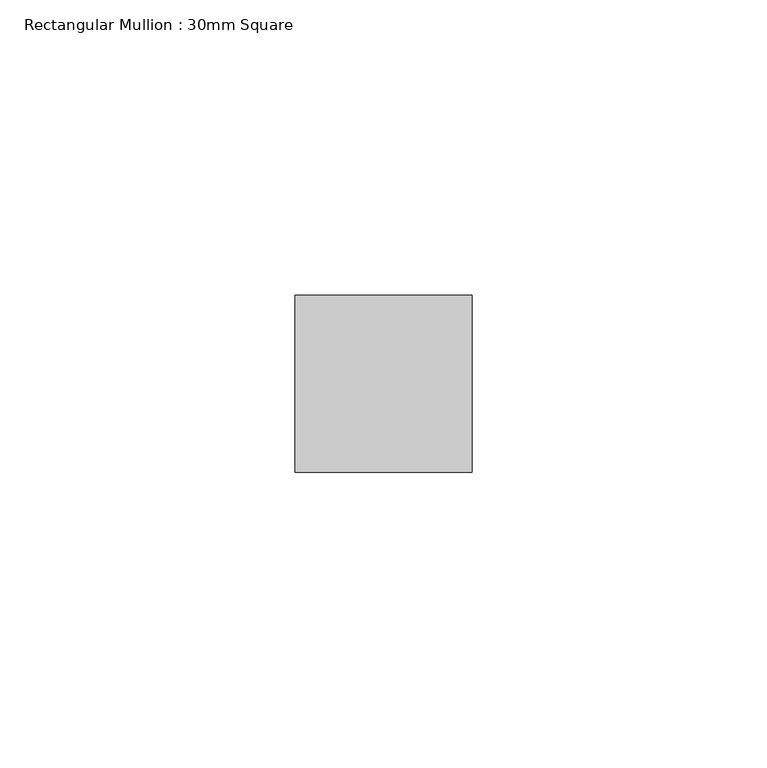
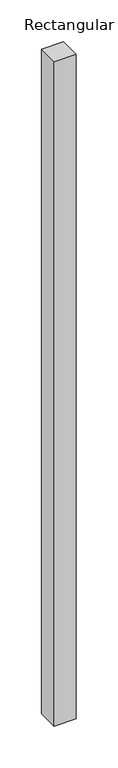
"""IFC4 building model written with IfcOpenShell, lengths in millimetres: member geometry, Rectangular Mullion : 30mm Square."""

from ifc_helpers import new_model, si_unit, frame, origin, place, context, project, spatial, polyline, outline, extrude, source, transform, mapped, element, save


def rectangular_mullion_30mm_square_c04dd2ff(model_context):
    return source(origin(), model_context, "Body", "SweptSolid", [
        extrude(outline(polyline([(0.0, 15.0), (0.0, -15.0), (-30.0, -15.0), (-30.0, 15.0), (0.0, 15.0)])), frame((0.0, 0.0, -968.5066633), z_axis=(0.0, 0.0, 1.0), x_axis=(1.0, 0.0, 0.0)), (0.0, 0.0, 1.0), 968.5066633),
    ])


if __name__ == "__main__":
    model = new_model("IFC4")
    model_context = context("Model", 3, world=origin())
    ifc_project = project(units=[si_unit("LENGTHUNIT", "METRE", prefix="MILLI")], contexts=[model_context])
    site = spatial("IfcSite", under=ifc_project)
    building = spatial("IfcBuilding", under=site)
    placement = place(None, origin())
    rectangular_mullion_30mm_square_shape = rectangular_mullion_30mm_square_c04dd2ff(model_context)
    element("IfcMember", 1, ObjectType="Rectangular Mullion : 30mm Square", at=placement, inside=building, context=model_context, shape_type="MappedRepresentation", body=[
        mapped(rectangular_mullion_30mm_square_shape, transform((0.0, 0.0, 0.0), x_axis=(1.0, 0.0, 0.0), y_axis=(0.0, 1.0, 0.0), z_axis=(0.0, 0.0, 1.0))),
    ])
    save(model, "model.ifc")
